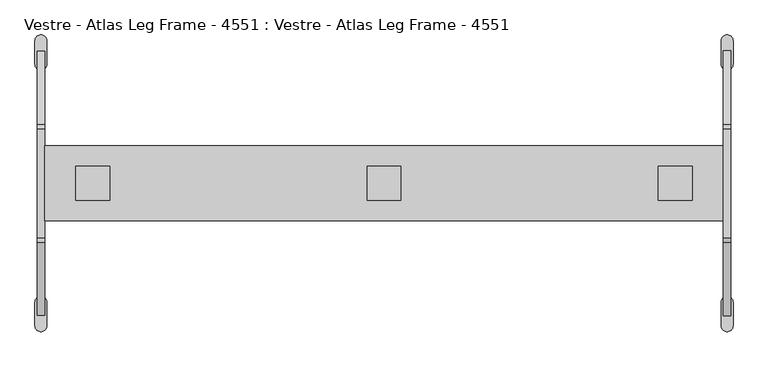
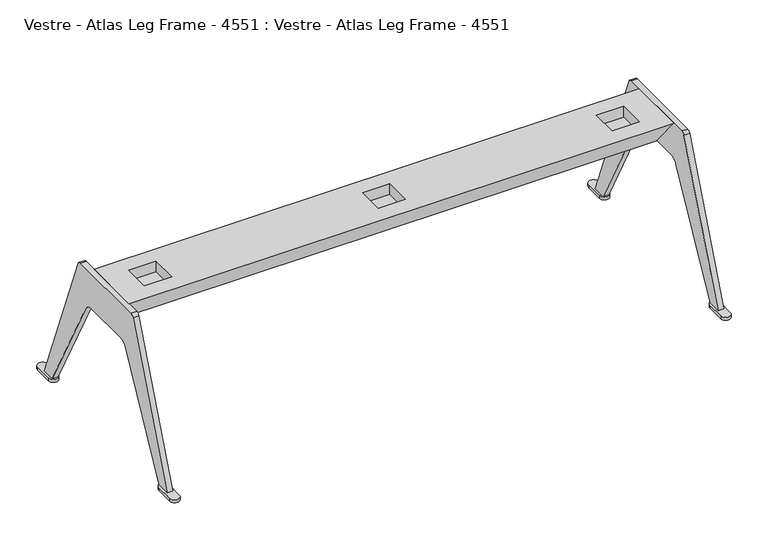
"""IFC4 building model written with IfcOpenShell, lengths in millimetres: furniture geometry, Vestre - Atlas Leg Frame - 4551 : Vestre - Atlas Leg Frame - 4551."""

import ifcopenshell
import ifcopenshell.guid

model = None  # the IFC model being written
_history = None  # IfcOwnerHistory: only IFC2X3 demands one
_inside = {}  # id of a spatial element -> (the spatial element, [elements in it])
_under = {}  # id of a project, library or spatial element -> (it, [spatial elements below it])
_declared = {}  # id of a project -> (the project, [libraries it declares])
_typed = {}  # id of a type object -> (the type object, [elements of that type])
_made_of = {}  # id of a material, layer set ... -> (it, [elements and type objects made of it])


def new_model(schema):
    """Start an empty IFC model of exactly this schema.

    Asked for "IFC4X3", IfcOpenShell would pick the latest addendum, in which some entities
    have other attributes; the version numbers below select the first issue.
    IFC2X3 requires an IfcOwnerHistory on every rooted entity: one is made here for all.
    """
    global model, _history
    if schema == "IFC4X3":
        model = ifcopenshell.file(schema_version=(4, 3, 0, 0))
    else:
        model = ifcopenshell.file(schema=schema)
    _inside.clear()
    _under.clear()
    _declared.clear()
    _typed.clear()
    _made_of.clear()
    _history = None
    if model.schema == "IFC2X3":
        org = make("IfcOrganization", Name="unknown")
        user = make(
            "IfcPersonAndOrganization",
            ThePerson=make("IfcPerson", FamilyName="unknown"),
            TheOrganization=org,
        )
        app = make(
            "IfcApplication",
            ApplicationDeveloper=org,
            Version="unknown",
            ApplicationFullName="unknown",
            ApplicationIdentifier="unknown",
        )
        _history = make(
            "IfcOwnerHistory",
            OwningUser=user,
            OwningApplication=app,
            ChangeAction="ADDED",
            CreationDate=0,
        )
    return model


def make(cls, **values):
    """One entity of the class cls with the attributes given. An attribute that is None is left unset."""
    return model.create_entity(
        cls, **{name: value for name, value in values.items() if value is not None}
    )


def rooted(cls, **values):
    """An entity with a GlobalId (a new one), such as an element, a storey or a relation."""
    return make(cls, GlobalId=ifcopenshell.guid.new(), OwnerHistory=_history, **values)


def si_unit(unit_type, name, prefix=None):
    """IfcSIUnit, for example si_unit("LENGTHUNIT", "METRE", prefix="MILLI")."""
    return make("IfcSIUnit", UnitType=unit_type, Prefix=prefix, Name=name)


def assignment(units):
    """IfcUnitAssignment: the units of a project."""
    return None if units is None else make("IfcUnitAssignment", Units=units)


def point(xyz):
    """IfcCartesianPoint."""
    return None if xyz is None else make("IfcCartesianPoint", Coordinates=xyz)


def direction(xyz):
    """IfcDirection."""
    return None if xyz is None else make("IfcDirection", DirectionRatios=xyz)


def frame(location, z_axis=None, x_axis=None):
    """IfcAxis2Placement3D, a coordinate frame: its origin and axes. An axis left out is left unset."""
    return make(
        "IfcAxis2Placement3D",
        Location=point(location),
        Axis=direction(z_axis),
        RefDirection=direction(x_axis),
    )


def frame_2d(location, x_axis=None):
    """IfcAxis2Placement2D, a coordinate frame in the plane: its origin and x axis."""
    return make(
        "IfcAxis2Placement2D", Location=point(location), RefDirection=direction(x_axis)
    )


def origin():
    """The frame at (0, 0, 0) with its axes left unset."""
    return frame((0.0, 0.0, 0.0))


def origin_with_axes():
    """The frame at (0, 0, 0) with the z axis (0, 0, 1) and the x axis (1, 0, 0) written out."""
    return frame((0.0, 0.0, 0.0), z_axis=(0.0, 0.0, 1.0), x_axis=(1.0, 0.0, 0.0))


def place(relative_to, where):
    """IfcLocalPlacement: puts the frame where relative to a parent placement (None: the world)."""
    return make(
        "IfcLocalPlacement", PlacementRelTo=relative_to, RelativePlacement=where
    )


def context(
    kind, dimensions, precision=None, world=None, true_north=None, identifier=None
):
    """IfcGeometricRepresentationContext, for example the 3D "Model" context."""
    return make(
        "IfcGeometricRepresentationContext",
        ContextIdentifier=identifier,
        ContextType=kind,
        CoordinateSpaceDimension=dimensions,
        Precision=precision,
        WorldCoordinateSystem=world,
        TrueNorth=true_north,
    )


def project(units=None, contexts=None):
    """IfcProject with its units and contexts."""
    return rooted(
        "IfcProject",
        Name="project",
        RepresentationContexts=contexts,
        UnitsInContext=assignment(units),
    )


def spatial(cls, under=None, at=None, **own):
    """A site, building, storey or space (cls), placed at a placement, below another one or the project."""
    s = rooted(cls, ObjectPlacement=at, **own)
    if under is not None:
        _under.setdefault(under.id(), (under, []))[1].append(s)
    return s


def polyline(points):
    """IfcPolyline through the points."""
    return make("IfcPolyline", Points=[point(p) for p in points])


def circle_curve(where, radius):
    """IfcCircle in the frame where."""
    return make("IfcCircle", Position=where, Radius=radius)


def trimmed(basis, trim1, trim2, sense, master):
    """IfcTrimmedCurve: the piece of a basis curve between two trims."""
    return make(
        "IfcTrimmedCurve",
        BasisCurve=basis,
        Trim1=trim1,
        Trim2=trim2,
        SenseAgreement=sense,
        MasterRepresentation=master,
    )


def segment(curve, same_sense, transition):
    """IfcCompositeCurveSegment."""
    return make(
        "IfcCompositeCurveSegment",
        Transition=transition,
        SameSense=same_sense,
        ParentCurve=curve,
    )


def composite_curve(segments, self_intersect=None):
    """IfcCompositeCurve: segments joined end to end."""
    return make("IfcCompositeCurve", Segments=segments, SelfIntersect=self_intersect)


def outline(outer, holes=None, kind="AREA"):
    """IfcArbitraryClosedProfileDef: a profile drawn as a closed curve; with holes, ...WithVoids."""
    if holes is None:
        return make("IfcArbitraryClosedProfileDef", ProfileType=kind, OuterCurve=outer)
    return make(
        "IfcArbitraryProfileDefWithVoids",
        ProfileType=kind,
        OuterCurve=outer,
        InnerCurves=holes,
    )


def extrude(swept, where, along, depth):
    """IfcExtrudedAreaSolid: the profile swept, set in the frame where, extruded along a direction by depth."""
    return make(
        "IfcExtrudedAreaSolid",
        SweptArea=swept,
        Position=where,
        ExtrudedDirection=direction(along),
        Depth=depth,
    )


def faces_of(points, faces, orient=None, outer=None):
    """IfcFace entities. A face is a list of loops; a loop is a list of indices into points, from 0.

    orient and outer hold one flag for each loop. By default every Orientation is true, the
    first loop of a face is its IfcFaceOuterBound and the others are IfcFaceBound.
    """
    made = []
    for i, loops in enumerate(faces):
        bounds = []
        for j, loop in enumerate(loops):
            is_outer = j == 0 if outer is None else outer[i][j]
            bounds.append(
                make(
                    "IfcFaceOuterBound" if is_outer else "IfcFaceBound",
                    Bound=make("IfcPolyLoop", Polygon=[points[k] for k in loop]),
                    Orientation=True if orient is None else orient[i][j],
                )
            )
        made.append(make("IfcFace", Bounds=bounds))
    return made


def faceted_brep(points, faces, orient=None, outer=None, voids=None):
    """IfcFacetedBrep: a solid bounded by flat faces; with voids (closed shells), ...WithVoids."""
    shared = [point(p) for p in points]
    hull = make("IfcClosedShell", CfsFaces=faces_of(shared, faces, orient, outer))
    if voids is None:
        return make("IfcFacetedBrep", Outer=hull)
    return make(
        "IfcFacetedBrepWithVoids",
        Outer=hull,
        Voids=[
            make(cls, CfsFaces=faces_of(shared, fs, o, b)) for cls, fs, o, b in voids
        ],
    )


def shape(context_of_items, identifier, shape_type, items):
    """IfcShapeRepresentation: the items that make up one representation, for example the "Body"."""
    return make(
        "IfcShapeRepresentation",
        ContextOfItems=context_of_items,
        RepresentationIdentifier=identifier,
        RepresentationType=shape_type,
        Items=items,
    )


def source(mapping_origin, context_of_items, identifier, shape_type, items):
    """IfcRepresentationMap: a shape defined once, which mapped items show again and again."""
    return make(
        "IfcRepresentationMap",
        MappingOrigin=mapping_origin,
        MappedRepresentation=shape(context_of_items, identifier, shape_type, items),
    )


def transform(
    local_origin,
    x_axis=None,
    y_axis=None,
    z_axis=None,
    scale=None,
    scale2=None,
    scale3=None,
    uniform=True,
):
    """IfcCartesianTransformationOperator3D, or its non-uniform kind. x_axis, y_axis, z_axis: its Axis1, 2, 3."""
    if uniform:
        return make(
            "IfcCartesianTransformationOperator3D",
            Axis1=direction(x_axis),
            Axis2=direction(y_axis),
            LocalOrigin=point(local_origin),
            Scale=scale,
            Axis3=direction(z_axis),
        )
    return make(
        "IfcCartesianTransformationOperator3DnonUniform",
        Axis1=direction(x_axis),
        Axis2=direction(y_axis),
        LocalOrigin=point(local_origin),
        Scale=scale,
        Axis3=direction(z_axis),
        Scale2=scale2,
        Scale3=scale3,
    )


def mapped(mapping_source, mapping_target):
    """IfcMappedItem: shows the shape of a source again, moved by a transform."""
    return make(
        "IfcMappedItem", MappingSource=mapping_source, MappingTarget=mapping_target
    )


def made_of(thing, what):
    """Note that an element or type object is made of a material, layer set ...; save() writes the relation."""
    if what is not None:
        _made_of.setdefault(what.id(), (what, []))[1].append(thing)
    return thing


def element(
    cls,
    number,
    at=None,
    inside=None,
    cuts=None,
    type_object=None,
    material=None,
    context=None,
    identifier="Body",
    shape_type=None,
    held_by="IfcProductDefinitionShape",
    body=None,
    shapes=None,
    **own,
):
    """One element of the class cls, such as IfcWall. Its Tag is "e" and its number.

    at: its placement. inside: the storey or other place that contains it. cuts: it is an
    opening in that element (IfcRelVoidsElement). A single representation is given by context,
    identifier, shape_type and body (its items); several are given by shapes. held_by: the class
    of the entity that holds the representations. save() writes the other relations.
    """
    e = rooted(cls, Tag="e%d" % number, ObjectPlacement=at, **own)
    if body is not None:
        shapes = [shape(context, identifier, shape_type, body)]
    if shapes is not None:
        e.Representation = make(held_by, Representations=shapes)
    if inside is not None:
        _inside.setdefault(inside.id(), (inside, []))[1].append(e)
    if cuts is not None:
        rooted(
            "IfcRelVoidsElement", RelatingBuildingElement=cuts, RelatedOpeningElement=e
        )
    if type_object is not None:
        _typed.setdefault(type_object.id(), (type_object, []))[1].append(e)
    return made_of(e, material)


def aggregate(whole, parts):
    """IfcRelAggregates: a whole, such as a stair, and the parts it consists of."""
    return rooted("IfcRelAggregates", RelatingObject=whole, RelatedObjects=parts)


def save(model, path):
    """Write the relations noted so far, then the file.

    IfcRelAggregates (storeys below a building ...), IfcRelContainedInSpatialStructure (elements
    in a storey), IfcRelDefinesByType, IfcRelAssociatesMaterial and IfcRelDeclares: one each for
    every whole, place, type object, material and project.
    """
    for whole, parts in _under.values():
        aggregate(whole, parts)
    for where, things in _inside.values():
        rooted(
            "IfcRelContainedInSpatialStructure",
            RelatedElements=things,
            RelatingStructure=where,
        )
    for kind, things in _typed.values():
        rooted("IfcRelDefinesByType", RelatedObjects=things, RelatingType=kind)
    for what, things in _made_of.values():
        rooted("IfcRelAssociatesMaterial", RelatedObjects=things, RelatingMaterial=what)
    for by, libraries in _declared.values():
        rooted("IfcRelDeclares", RelatingContext=by, RelatedDefinitions=libraries)
    model.write(path)


def vestre_atlas_leg_frame_4551_vestre_atlas_leg_frame_4551_75f85bcb(model_context):
    return source(origin(), model_context, "Body", "SolidModel", [
        extrude(outline(composite_curve([segment(polyline([(274.4581476, 7.85), (238.7432621, 7.85), (86.6507551, 294.3770811)]), True, "CONTINUOUS"), segment(trimmed(circle_curve(frame_2d((68.9852486, 284.9999878)), 20.0), [point((86.6507551, 294.3770811))], [point((68.9852486, 304.9999878))], True, "CARTESIAN"), True, "CONTINUOUS"), segment(polyline([(68.9852486, 304.9999878), (-68.9852486, 304.9999878)]), True, "CONTINUOUS"), segment(trimmed(circle_curve(frame_2d((-68.9852486, 284.9999878)), 20.0), [point((-68.9852486, 304.9999878))], [point((-86.6507551, 294.3770811))], True, "CARTESIAN"), True, "CONTINUOUS"), segment(polyline([(-86.6507551, 294.3770811), (-238.7432621, 7.85), (-274.4581476, 7.85), (-122.5040271, 393.6645503)]), True, "CONTINUOUS"), segment(trimmed(circle_curve(frame_2d((-113.1996683, 390.0000031)), 10.0), [point((-122.5040271, 393.6645503))], [point((-113.1996683, 400.0000031))], False, "CARTESIAN"), True, "CONTINUOUS"), segment(polyline([(-113.1996683, 400.0000031), (113.1996683, 400.0000031)]), True, "CONTINUOUS"), segment(trimmed(circle_curve(frame_2d((113.1996683, 390.0000031)), 10.0), [point((113.1996683, 400.0000031))], [point((122.5040271, 393.6645503))], False, "CARTESIAN"), True, "CONTINUOUS"), segment(polyline([(122.5040271, 393.6645503), (274.4581476, 7.85)]), True, "CONTINUOUS")], self_intersect=False)), frame((703.0001129, 0.0, 0.0), z_axis=(1.0, 0.0, 0.0), x_axis=(0.0, 1.0, 0.0)), (0.0, 0.0, 1.0), 15.0002472),
        faceted_brep([(703.0001129, 0.0, 304.9999878), (703.0001129, 77.4828432, 400.0000031), (703.0001129, -77.4832792, 400.0000031), (-703.0001129, 0.0, 304.9999878), (-703.0001129, -77.4832792, 400.0000031), (-703.0001129, 77.4828432, 400.0000031), (-568.0002136, 34.9996805, 400.0000031), (-568.0002136, -35.0001165, 400.0000031), (-638.0000107, -35.0001165, 400.0000031), (-638.0000107, 34.9996805, 400.0000031), (35.0001892, 34.9996805, 400.0000031), (35.0001892, -35.0001165, 400.0000031), (-35.0001892, -35.0001165, 400.0000031), (-35.0001892, 34.9996805, 400.0000031), (638.0000107, -35.0001165, 400.0000031), (568.0002136, -35.0001165, 400.0000031), (568.0002136, 34.9996805, 400.0000031), (638.0000107, 34.9996805, 400.0000031), (-568.0002136, -35.0001165, 370.8502198), (-568.0002136, 34.9996805, 370.8502198), (-638.0000107, 34.9996805, 370.8502198), (-638.0000107, -35.0001165, 370.8502198), (35.0001892, -35.0001165, 370.8502198), (35.0001892, 34.9996805, 370.8502198), (-35.0001892, 34.9996805, 370.8502198), (-35.0001892, -35.0001165, 370.8502198), (568.0002136, -35.0001165, 370.8502198), (638.0000107, -35.0001165, 370.8502198), (638.0000107, 34.9996805, 370.8502198), (568.0002136, 34.9996805, 370.8502198)], [[[0, 1, 2]], [[3, 4, 5]], [[1, 0, 3, 5]], [[2, 1, 5, 4], [6, 7, 8, 9], [10, 11, 12, 13], [14, 15, 16, 17]], [[0, 2, 4, 3]], [[18, 19, 20, 21]], [[22, 23, 24, 25]], [[26, 27, 28, 29]], [[19, 18, 7, 6]], [[20, 19, 6, 9]], [[21, 20, 9, 8]], [[18, 21, 8, 7]], [[23, 22, 11, 10]], [[24, 23, 10, 13]], [[25, 24, 13, 12]], [[22, 25, 12, 11]], [[27, 26, 15, 14]], [[28, 27, 14, 17]], [[29, 28, 17, 16]], [[26, 29, 16, 15]]]),
        extrude(outline(composite_curve([segment(trimmed(circle_curve(frame_2d((-710.4999458, 294.7881019)), 12.5001091), [point((-723.0000549, 294.7881019))], [point((-697.9998367, 294.7881019))], False, "CARTESIAN"), True, "CONTINUOUS"), segment(polyline([(-697.9998367, 294.7881019), (-697.9998367, 246.6671022)]), True, "CONTINUOUS"), segment(trimmed(circle_curve(frame_2d((-710.4999458, 246.6671022)), 12.5001091), [point((-697.9998367, 246.6671022))], [point((-723.0000549, 246.6671022))], False, "CARTESIAN"), True, "CONTINUOUS"), segment(polyline([(-723.0000549, 246.6671022), (-723.0000549, 294.7881019)]), True, "CONTINUOUS")], self_intersect=False)), origin_with_axes(), (0.0, 0.0, 1.0), 7.85),
        extrude(outline(composite_curve([segment(polyline([(723.0000549, 294.7881019), (723.0000549, 246.6671022)]), True, "CONTINUOUS"), segment(trimmed(circle_curve(frame_2d((710.4999458, 246.6671022)), 12.5001091), [point((723.0000549, 246.6671022))], [point((697.9998367, 246.6671022))], False, "CARTESIAN"), True, "CONTINUOUS"), segment(polyline([(697.9998367, 246.6671022), (697.9998367, 294.7881019)]), True, "CONTINUOUS"), segment(trimmed(circle_curve(frame_2d((710.4999458, 294.7881019)), 12.5001091), [point((697.9998367, 294.7881019))], [point((723.0000549, 294.7881019))], False, "CARTESIAN"), True, "CONTINUOUS")], self_intersect=False)), origin_with_axes(), (0.0, 0.0, 1.0), 7.85),
        extrude(outline(composite_curve([segment(polyline([(-723.0000549, -294.7881019), (-723.0000549, -246.6671022)]), True, "CONTINUOUS"), segment(trimmed(circle_curve(frame_2d((-710.4999458, -246.6671022)), 12.5001091), [point((-723.0000549, -246.6671022))], [point((-697.9998367, -246.6671022))], False, "CARTESIAN"), True, "CONTINUOUS"), segment(polyline([(-697.9998367, -246.6671022), (-697.9998367, -294.7881019)]), True, "CONTINUOUS"), segment(trimmed(circle_curve(frame_2d((-710.4999458, -294.7881019)), 12.5001091), [point((-697.9998367, -294.7881019))], [point((-723.0000549, -294.7881019))], False, "CARTESIAN"), True, "CONTINUOUS")], self_intersect=False)), origin_with_axes(), (0.0, 0.0, 1.0), 7.85),
        extrude(outline(composite_curve([segment(trimmed(circle_curve(frame_2d((710.4999458, -294.7881019)), 12.5001091), [point((723.0000549, -294.7881019))], [point((697.9998367, -294.7881019))], False, "CARTESIAN"), True, "CONTINUOUS"), segment(polyline([(697.9998367, -294.7881019), (697.9998367, -246.6671022)]), True, "CONTINUOUS"), segment(trimmed(circle_curve(frame_2d((710.4999458, -246.6671022)), 12.5001091), [point((697.9998367, -246.6671022))], [point((723.0000549, -246.6671022))], False, "CARTESIAN"), True, "CONTINUOUS"), segment(polyline([(723.0000549, -246.6671022), (723.0000549, -294.7881019)]), True, "CONTINUOUS")], self_intersect=False)), origin_with_axes(), (0.0, 0.0, 1.0), 7.85),
        extrude(outline(composite_curve([segment(polyline([(274.4581476, 7.85), (238.7432621, 7.85), (86.6507551, 294.3770811)]), True, "CONTINUOUS"), segment(trimmed(circle_curve(frame_2d((68.9852486, 284.9999878)), 20.0), [point((86.6507551, 294.3770811))], [point((68.9852486, 304.9999878))], True, "CARTESIAN"), True, "CONTINUOUS"), segment(polyline([(68.9852486, 304.9999878), (-68.9852486, 304.9999878)]), True, "CONTINUOUS"), segment(trimmed(circle_curve(frame_2d((-68.9852486, 284.9999878)), 20.0), [point((-68.9852486, 304.9999878))], [point((-86.6507551, 294.3770811))], True, "CARTESIAN"), True, "CONTINUOUS"), segment(polyline([(-86.6507551, 294.3770811), (-238.7432621, 7.85), (-274.4581476, 7.85), (-122.5040271, 393.6645503)]), True, "CONTINUOUS"), segment(trimmed(circle_curve(frame_2d((-113.1996683, 390.0000031)), 10.0), [point((-122.5040271, 393.6645503))], [point((-113.1996683, 400.0000031))], False, "CARTESIAN"), True, "CONTINUOUS"), segment(polyline([(-113.1996683, 400.0000031), (113.1996683, 400.0000031)]), True, "CONTINUOUS"), segment(trimmed(circle_curve(frame_2d((113.1996683, 390.0000031)), 10.0), [point((113.1996683, 400.0000031))], [point((122.5040271, 393.6645503))], False, "CARTESIAN"), True, "CONTINUOUS"), segment(polyline([(122.5040271, 393.6645503), (274.4581476, 7.85)]), True, "CONTINUOUS")], self_intersect=False)), frame((-718.0003601, 0.0, 0.0), z_axis=(1.0, 0.0, 0.0), x_axis=(0.0, 1.0, 0.0)), (0.0, 0.0, 1.0), 15.0002472),
    ])


if __name__ == "__main__":
    model = new_model("IFC4")
    model_context = context("Model", 3, world=origin())
    ifc_project = project(units=[si_unit("LENGTHUNIT", "METRE", prefix="MILLI")], contexts=[model_context])
    site = spatial("IfcSite", under=ifc_project)
    building = spatial("IfcBuilding", under=site)
    placement = place(None, origin())
    vestre_atlas_leg_frame_4551_vestre_atlas_leg_frame_4551_shape = vestre_atlas_leg_frame_4551_vestre_atlas_leg_frame_4551_75f85bcb(model_context)
    element("IfcFurniture", 1, ObjectType="Vestre - Atlas Leg Frame - 4551 : Vestre - Atlas Leg Frame - 4551", at=placement, inside=building, context=model_context, shape_type="MappedRepresentation", body=[
        mapped(vestre_atlas_leg_frame_4551_vestre_atlas_leg_frame_4551_shape, transform((0.0, 0.0, 0.0), x_axis=(1.0, 0.0, 0.0), y_axis=(0.0, 1.0, 0.0), z_axis=(0.0, 0.0, 1.0))),
    ])
    save(model, "model.ifc")
